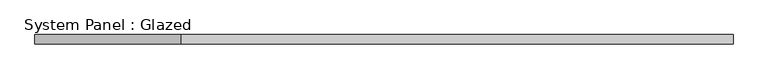
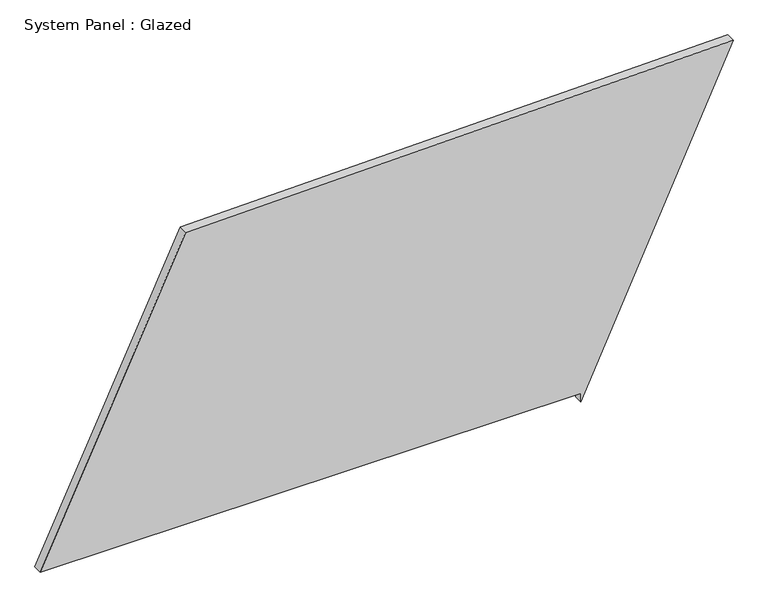
"""IFC4 building model written with IfcOpenShell, lengths in millimetres: plate geometry, System Panel : Glazed."""

from ifc_helpers import new_model, si_unit, frame, origin, place, context, project, spatial, polyline, outline, extrude, source, transform, mapped, element, save


def system_panel_glazed_621a5bd4(model_context):
    return source(origin(), model_context, "Body", "SweptSolid", [
        extrude(outline(polyline([(25.0, 525.7071793), (0.0, 525.7071793), (892.25575, 937.7742256), (860.5841525, -544.4046581), (25.0, -937.7742256), (25.0, 525.7071793)])), frame((0.0, -49.5, 0.0), z_axis=(0.0, 1.0, 0.0), x_axis=(0.0, 0.0, 1.0)), (0.0, 0.0, 1.0), 25.0),
    ])


if __name__ == "__main__":
    model = new_model("IFC4")
    model_context = context("Model", 3, world=origin())
    ifc_project = project(units=[si_unit("LENGTHUNIT", "METRE", prefix="MILLI")], contexts=[model_context])
    site = spatial("IfcSite", under=ifc_project)
    building = spatial("IfcBuilding", under=site)
    placement = place(None, origin())
    system_panel_glazed_shape = system_panel_glazed_621a5bd4(model_context)
    element("IfcPlate", 1, ObjectType="System Panel : Glazed", at=placement, inside=building, context=model_context, shape_type="MappedRepresentation", body=[
        mapped(system_panel_glazed_shape, transform((0.0, 0.0, 0.0), x_axis=(1.0, 0.0, 0.0), y_axis=(0.0, 1.0, 0.0), z_axis=(0.0, 0.0, 1.0))),
    ])
    save(model, "model.ifc")
